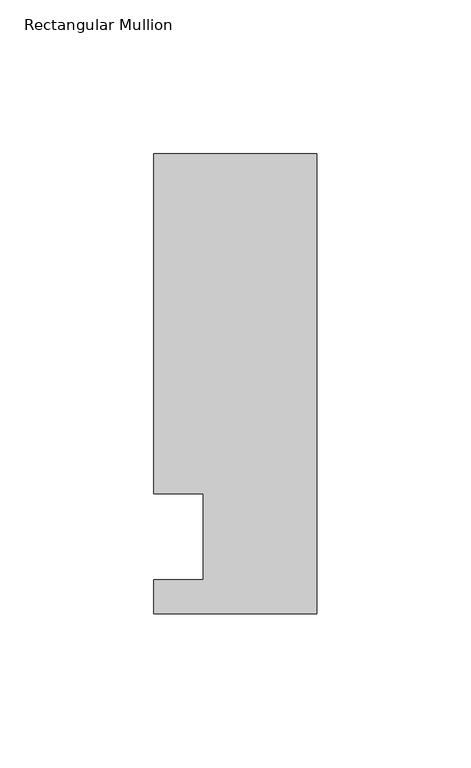
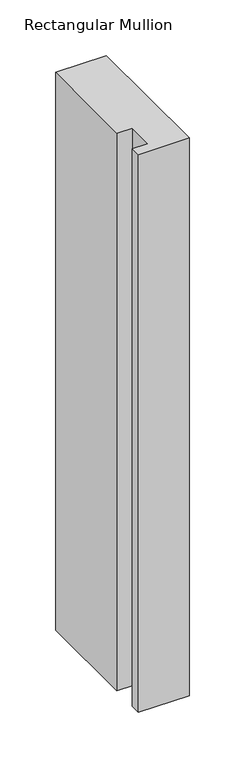
"""IFC4 building model written with IfcOpenShell, lengths in millimetres: member geometry, Rectangular Mullion."""

from ifc_helpers import new_model, si_unit, frame, origin, place, context, project, spatial, polyline, outline, extrude, source, transform, mapped, element, save


def rectangular_mullion_61d982e2(model_context):
    return source(origin(), model_context, "Body", "SweptSolid", [
        extrude(outline(polyline([(-37.0, -13.9999453), (-37.0, 14.0000547), (-53.0, 14.0000547), (-53.0, 124.5000547), (0.0, 124.5000547), (0.0, -24.9999453), (-53.0, -24.9999453), (-53.0, -13.9999453), (-37.0, -13.9999453)])), frame((0.0, 0.0, -613.2487586), z_axis=(0.0, 0.0, 1.0), x_axis=(1.0, 0.0, 0.0)), (0.0, 0.0, 1.0), 613.2487586),
    ])


if __name__ == "__main__":
    model = new_model("IFC4")
    model_context = context("Model", 3, world=origin())
    ifc_project = project(units=[si_unit("LENGTHUNIT", "METRE", prefix="MILLI")], contexts=[model_context])
    site = spatial("IfcSite", under=ifc_project)
    building = spatial("IfcBuilding", under=site)
    placement = place(None, origin())
    rectangular_mullion_shape = rectangular_mullion_61d982e2(model_context)
    element("IfcMember", 1, ObjectType="Rectangular Mullion", at=placement, inside=building, context=model_context, shape_type="MappedRepresentation", body=[
        mapped(rectangular_mullion_shape, transform((0.0, 0.0, 0.0), x_axis=(1.0, 0.0, 0.0), y_axis=(0.0, 1.0, 0.0), z_axis=(0.0, 0.0, 1.0))),
    ])
    save(model, "model.ifc")
